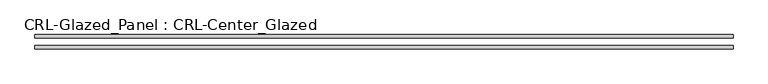
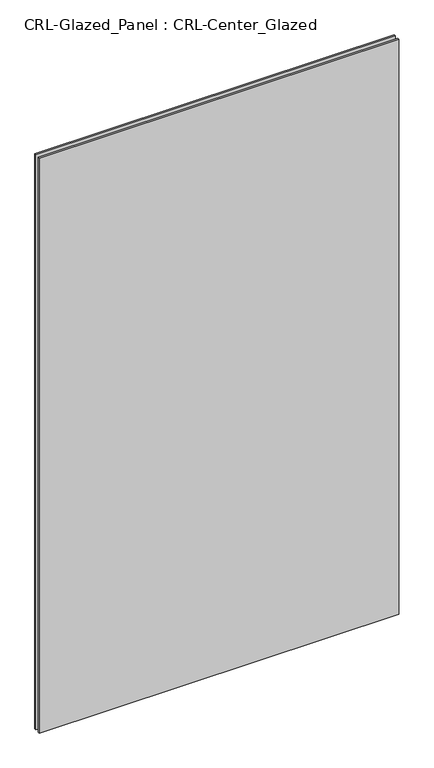
"""IFC4 building model written with IfcOpenShell, lengths in millimetres: plate geometry, CRL-Glazed_Panel : CRL-Center_Glazed."""

from ifc_helpers import new_model, si_unit, origin, origin_with_axes, place, context, project, spatial, polyline, outline, extrude, source, transform, mapped, element, save


def crl_glazed_panel_crl_center_glazed_c51eacd2(model_context):
    return source(origin(), model_context, "Body", "SweptSolid", [
        extrude(outline(polyline([(622.2694344, 12.7), (622.2694344, 6.35), (-622.2694344, 6.35), (-622.2694344, 12.7), (622.2694344, 12.7)])), origin_with_axes(), (0.0, 0.0, 1.0), 2104.5435008),
        extrude(outline(polyline([(-622.2694344, -6.35), (622.2694344, -6.35), (622.2694344, -12.7), (-622.2694344, -12.7), (-622.2694344, -6.35)])), origin_with_axes(), (0.0, 0.0, 1.0), 2104.5435008),
    ])


if __name__ == "__main__":
    model = new_model("IFC4")
    model_context = context("Model", 3, world=origin())
    ifc_project = project(units=[si_unit("LENGTHUNIT", "METRE", prefix="MILLI")], contexts=[model_context])
    site = spatial("IfcSite", under=ifc_project)
    building = spatial("IfcBuilding", under=site)
    placement = place(None, origin())
    crl_glazed_panel_crl_center_glazed_shape = crl_glazed_panel_crl_center_glazed_c51eacd2(model_context)
    element("IfcPlate", 1, ObjectType="CRL-Glazed_Panel : CRL-Center_Glazed", at=placement, inside=building, context=model_context, shape_type="MappedRepresentation", body=[
        mapped(crl_glazed_panel_crl_center_glazed_shape, transform((0.0, 0.0, 0.0), x_axis=(1.0, 0.0, 0.0), y_axis=(0.0, 1.0, 0.0), z_axis=(0.0, 0.0, 1.0))),
    ])
    save(model, "model.ifc")
